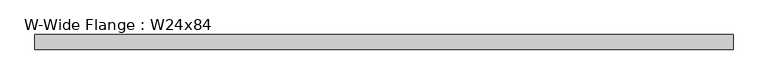
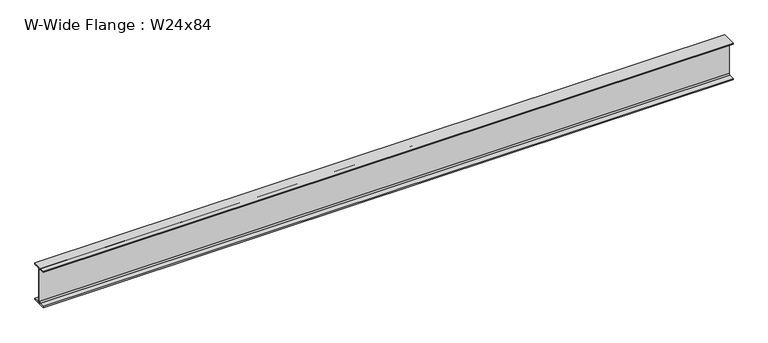
"""IFC4 building model written with IfcOpenShell, lengths in millimetres: beam geometry, W-Wide Flange : W24x84."""

from ifc_helpers import new_model, si_unit, point, frame, frame_2d, origin, place, context, project, spatial, polyline, circle_curve, trimmed, segment, composite_curve, outline, extrude, source, transform, mapped, element, save


def w_wide_flange_w24x84_818556f7(model_context):
    return source(origin(), model_context, "Body", "SweptSolid", [
        extrude(outline(composite_curve([segment(polyline([(114.554, -286.512), (114.554, -306.07), (-114.554, -306.07), (-114.554, -286.512), (-29.2735, -286.512)]), True, "CONTINUOUS"), segment(trimmed(circle_curve(frame_2d((-29.2735, -263.2075)), 23.3045), [point((-29.2735, -286.512))], [point((-5.969, -263.2075))], True, "CARTESIAN"), True, "CONTINUOUS"), segment(polyline([(-5.969, -263.2075), (-5.969, 263.2075)]), True, "CONTINUOUS"), segment(trimmed(circle_curve(frame_2d((-29.2735, 263.2075)), 23.3045), [point((-5.969, 263.2075))], [point((-29.2735, 286.512))], True, "CARTESIAN"), True, "CONTINUOUS"), segment(polyline([(-29.2735, 286.512), (-114.554, 286.512), (-114.554, 306.07), (114.554, 306.07), (114.554, 286.512), (29.2735, 286.512)]), True, "CONTINUOUS"), segment(trimmed(circle_curve(frame_2d((29.2735, 263.2075)), 23.3045), [point((29.2735, 286.512))], [point((5.969, 263.2075))], True, "CARTESIAN"), True, "CONTINUOUS"), segment(polyline([(5.969, 263.2075), (5.969, -263.2075)]), True, "CONTINUOUS"), segment(trimmed(circle_curve(frame_2d((29.2735, -263.2075)), 23.3045), [point((5.969, -263.2075))], [point((29.2735, -286.512))], True, "CARTESIAN"), True, "CONTINUOUS"), segment(polyline([(29.2735, -286.512), (114.554, -286.512)]), True, "CONTINUOUS")], self_intersect=False)), frame((-5468.239, 0.0, 0.0), z_axis=(1.0, 0.0, 0.0), x_axis=(0.0, 1.0, 0.0)), (0.0, 0.0, 1.0), 10936.478),
    ])


if __name__ == "__main__":
    model = new_model("IFC4")
    model_context = context("Model", 3, world=origin())
    ifc_project = project(units=[si_unit("LENGTHUNIT", "METRE", prefix="MILLI")], contexts=[model_context])
    site = spatial("IfcSite", under=ifc_project)
    building = spatial("IfcBuilding", under=site)
    placement = place(None, origin())
    w_wide_flange_w24x84_shape = w_wide_flange_w24x84_818556f7(model_context)
    element("IfcBeam", 1, ObjectType="W-Wide Flange : W24x84", at=placement, inside=building, context=model_context, shape_type="MappedRepresentation", body=[
        mapped(w_wide_flange_w24x84_shape, transform((0.0, 0.0, 0.0), x_axis=(1.0, 0.0, 0.0), y_axis=(0.0, 1.0, 0.0), z_axis=(0.0, 0.0, 1.0))),
    ])
    save(model, "model.ifc")
